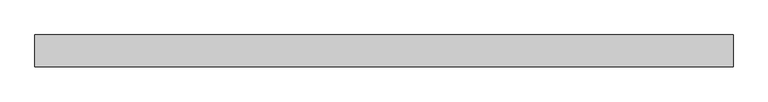
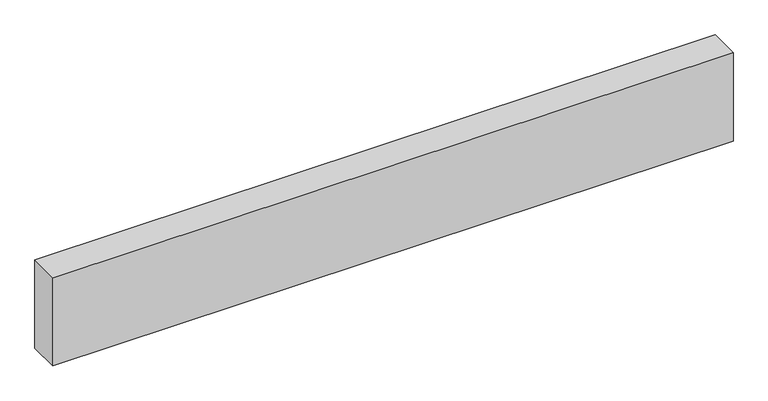
"""IFC4 building model written with IfcOpenShell, lengths in millimetres: proxy geometry."""

import ifcopenshell
import ifcopenshell.guid

model = None  # the IFC model being written
_history = None  # IfcOwnerHistory: only IFC2X3 demands one
_inside = {}  # id of a spatial element -> (the spatial element, [elements in it])
_under = {}  # id of a project, library or spatial element -> (it, [spatial elements below it])
_declared = {}  # id of a project -> (the project, [libraries it declares])
_typed = {}  # id of a type object -> (the type object, [elements of that type])
_made_of = {}  # id of a material, layer set ... -> (it, [elements and type objects made of it])


def new_model(schema):
    """Start an empty IFC model of exactly this schema.

    Asked for "IFC4X3", IfcOpenShell would pick the latest addendum, in which some entities
    have other attributes; the version numbers below select the first issue.
    IFC2X3 requires an IfcOwnerHistory on every rooted entity: one is made here for all.
    """
    global model, _history
    if schema == "IFC4X3":
        model = ifcopenshell.file(schema_version=(4, 3, 0, 0))
    else:
        model = ifcopenshell.file(schema=schema)
    _inside.clear()
    _under.clear()
    _declared.clear()
    _typed.clear()
    _made_of.clear()
    _history = None
    if model.schema == "IFC2X3":
        org = make("IfcOrganization", Name="unknown")
        user = make(
            "IfcPersonAndOrganization",
            ThePerson=make("IfcPerson", FamilyName="unknown"),
            TheOrganization=org,
        )
        app = make(
            "IfcApplication",
            ApplicationDeveloper=org,
            Version="unknown",
            ApplicationFullName="unknown",
            ApplicationIdentifier="unknown",
        )
        _history = make(
            "IfcOwnerHistory",
            OwningUser=user,
            OwningApplication=app,
            ChangeAction="ADDED",
            CreationDate=0,
        )
    return model


def make(cls, **values):
    """One entity of the class cls with the attributes given. An attribute that is None is left unset."""
    return model.create_entity(
        cls, **{name: value for name, value in values.items() if value is not None}
    )


def rooted(cls, **values):
    """An entity with a GlobalId (a new one), such as an element, a storey or a relation."""
    return make(cls, GlobalId=ifcopenshell.guid.new(), OwnerHistory=_history, **values)


def si_unit(unit_type, name, prefix=None):
    """IfcSIUnit, for example si_unit("LENGTHUNIT", "METRE", prefix="MILLI")."""
    return make("IfcSIUnit", UnitType=unit_type, Prefix=prefix, Name=name)


def assignment(units):
    """IfcUnitAssignment: the units of a project."""
    return None if units is None else make("IfcUnitAssignment", Units=units)


def point(xyz):
    """IfcCartesianPoint."""
    return None if xyz is None else make("IfcCartesianPoint", Coordinates=xyz)


def direction(xyz):
    """IfcDirection."""
    return None if xyz is None else make("IfcDirection", DirectionRatios=xyz)


def frame(location, z_axis=None, x_axis=None):
    """IfcAxis2Placement3D, a coordinate frame: its origin and axes. An axis left out is left unset."""
    return make(
        "IfcAxis2Placement3D",
        Location=point(location),
        Axis=direction(z_axis),
        RefDirection=direction(x_axis),
    )


def origin():
    """The frame at (0, 0, 0) with its axes left unset."""
    return frame((0.0, 0.0, 0.0))


def origin_with_axes():
    """The frame at (0, 0, 0) with the z axis (0, 0, 1) and the x axis (1, 0, 0) written out."""
    return frame((0.0, 0.0, 0.0), z_axis=(0.0, 0.0, 1.0), x_axis=(1.0, 0.0, 0.0))


def place(relative_to, where):
    """IfcLocalPlacement: puts the frame where relative to a parent placement (None: the world)."""
    return make(
        "IfcLocalPlacement", PlacementRelTo=relative_to, RelativePlacement=where
    )


def context(
    kind, dimensions, precision=None, world=None, true_north=None, identifier=None
):
    """IfcGeometricRepresentationContext, for example the 3D "Model" context."""
    return make(
        "IfcGeometricRepresentationContext",
        ContextIdentifier=identifier,
        ContextType=kind,
        CoordinateSpaceDimension=dimensions,
        Precision=precision,
        WorldCoordinateSystem=world,
        TrueNorth=true_north,
    )


def project(units=None, contexts=None):
    """IfcProject with its units and contexts."""
    return rooted(
        "IfcProject",
        Name="project",
        RepresentationContexts=contexts,
        UnitsInContext=assignment(units),
    )


def spatial(cls, under=None, at=None, **own):
    """A site, building, storey or space (cls), placed at a placement, below another one or the project."""
    s = rooted(cls, ObjectPlacement=at, **own)
    if under is not None:
        _under.setdefault(under.id(), (under, []))[1].append(s)
    return s


def polyline(points):
    """IfcPolyline through the points."""
    return make("IfcPolyline", Points=[point(p) for p in points])


def outline(outer, holes=None, kind="AREA"):
    """IfcArbitraryClosedProfileDef: a profile drawn as a closed curve; with holes, ...WithVoids."""
    if holes is None:
        return make("IfcArbitraryClosedProfileDef", ProfileType=kind, OuterCurve=outer)
    return make(
        "IfcArbitraryProfileDefWithVoids",
        ProfileType=kind,
        OuterCurve=outer,
        InnerCurves=holes,
    )


def extrude(swept, where, along, depth):
    """IfcExtrudedAreaSolid: the profile swept, set in the frame where, extruded along a direction by depth."""
    return make(
        "IfcExtrudedAreaSolid",
        SweptArea=swept,
        Position=where,
        ExtrudedDirection=direction(along),
        Depth=depth,
    )


def shape(context_of_items, identifier, shape_type, items):
    """IfcShapeRepresentation: the items that make up one representation, for example the "Body"."""
    return make(
        "IfcShapeRepresentation",
        ContextOfItems=context_of_items,
        RepresentationIdentifier=identifier,
        RepresentationType=shape_type,
        Items=items,
    )


def source(mapping_origin, context_of_items, identifier, shape_type, items):
    """IfcRepresentationMap: a shape defined once, which mapped items show again and again."""
    return make(
        "IfcRepresentationMap",
        MappingOrigin=mapping_origin,
        MappedRepresentation=shape(context_of_items, identifier, shape_type, items),
    )


def transform(
    local_origin,
    x_axis=None,
    y_axis=None,
    z_axis=None,
    scale=None,
    scale2=None,
    scale3=None,
    uniform=True,
):
    """IfcCartesianTransformationOperator3D, or its non-uniform kind. x_axis, y_axis, z_axis: its Axis1, 2, 3."""
    if uniform:
        return make(
            "IfcCartesianTransformationOperator3D",
            Axis1=direction(x_axis),
            Axis2=direction(y_axis),
            LocalOrigin=point(local_origin),
            Scale=scale,
            Axis3=direction(z_axis),
        )
    return make(
        "IfcCartesianTransformationOperator3DnonUniform",
        Axis1=direction(x_axis),
        Axis2=direction(y_axis),
        LocalOrigin=point(local_origin),
        Scale=scale,
        Axis3=direction(z_axis),
        Scale2=scale2,
        Scale3=scale3,
    )


def mapped(mapping_source, mapping_target):
    """IfcMappedItem: shows the shape of a source again, moved by a transform."""
    return make(
        "IfcMappedItem", MappingSource=mapping_source, MappingTarget=mapping_target
    )


def made_of(thing, what):
    """Note that an element or type object is made of a material, layer set ...; save() writes the relation."""
    if what is not None:
        _made_of.setdefault(what.id(), (what, []))[1].append(thing)
    return thing


def element(
    cls,
    number,
    at=None,
    inside=None,
    cuts=None,
    type_object=None,
    material=None,
    context=None,
    identifier="Body",
    shape_type=None,
    held_by="IfcProductDefinitionShape",
    body=None,
    shapes=None,
    **own,
):
    """One element of the class cls, such as IfcWall. Its Tag is "e" and its number.

    at: its placement. inside: the storey or other place that contains it. cuts: it is an
    opening in that element (IfcRelVoidsElement). A single representation is given by context,
    identifier, shape_type and body (its items); several are given by shapes. held_by: the class
    of the entity that holds the representations. save() writes the other relations.
    """
    e = rooted(cls, Tag="e%d" % number, ObjectPlacement=at, **own)
    if body is not None:
        shapes = [shape(context, identifier, shape_type, body)]
    if shapes is not None:
        e.Representation = make(held_by, Representations=shapes)
    if inside is not None:
        _inside.setdefault(inside.id(), (inside, []))[1].append(e)
    if cuts is not None:
        rooted(
            "IfcRelVoidsElement", RelatingBuildingElement=cuts, RelatedOpeningElement=e
        )
    if type_object is not None:
        _typed.setdefault(type_object.id(), (type_object, []))[1].append(e)
    return made_of(e, material)


def aggregate(whole, parts):
    """IfcRelAggregates: a whole, such as a stair, and the parts it consists of."""
    return rooted("IfcRelAggregates", RelatingObject=whole, RelatedObjects=parts)


def save(model, path):
    """Write the relations noted so far, then the file.

    IfcRelAggregates (storeys below a building ...), IfcRelContainedInSpatialStructure (elements
    in a storey), IfcRelDefinesByType, IfcRelAssociatesMaterial and IfcRelDeclares: one each for
    every whole, place, type object, material and project.
    """
    for whole, parts in _under.values():
        aggregate(whole, parts)
    for where, things in _inside.values():
        rooted(
            "IfcRelContainedInSpatialStructure",
            RelatedElements=things,
            RelatingStructure=where,
        )
    for kind, things in _typed.values():
        rooted("IfcRelDefinesByType", RelatedObjects=things, RelatingType=kind)
    for what, things in _made_of.values():
        rooted("IfcRelAssociatesMaterial", RelatedObjects=things, RelatingMaterial=what)
    for by, libraries in _declared.values():
        rooted("IfcRelDeclares", RelatingContext=by, RelatedDefinitions=libraries)
    model.write(path)


def generic_models_48004717(model_context):
    return source(origin(), model_context, "Body", "SweptSolid", [
        extrude(outline(polyline([(2181.9201525, 0.0), (2181.9201525, -100.0), (0.0, -100.0), (0.0, 0.0), (2181.9201525, 0.0)])), origin_with_axes(), (0.0, 0.0, 1.0), 300.0),
    ])


if __name__ == "__main__":
    model = new_model("IFC4")
    model_context = context("Model", 3, world=origin())
    ifc_project = project(units=[si_unit("LENGTHUNIT", "METRE", prefix="MILLI")], contexts=[model_context])
    site = spatial("IfcSite", under=ifc_project)
    building = spatial("IfcBuilding", under=site)
    placement = place(None, origin())
    generic_models_shape = generic_models_48004717(model_context)
    element("IfcBuildingElementProxy", 1, Name="Generic Models", at=placement, inside=building, context=model_context, shape_type="MappedRepresentation", body=[
        mapped(generic_models_shape, transform((0.0, 0.0, 0.0), x_axis=(1.0, 0.0, 0.0), y_axis=(0.0, 1.0, 0.0), z_axis=(0.0, 0.0, 1.0))),
    ])
    save(model, "model.ifc")
